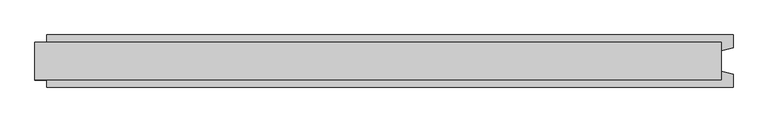
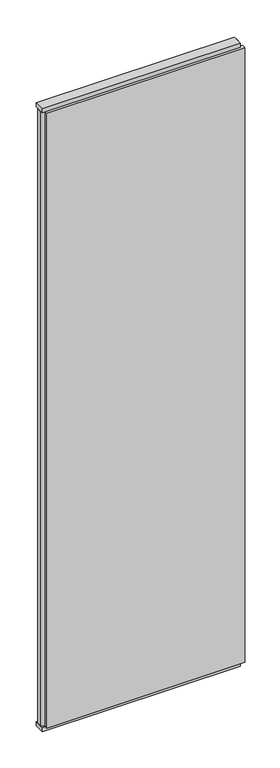
"""IFC4 building model written with IfcOpenShell, lengths in millimetres: plate geometry."""

from ifc_helpers import new_model, si_unit, frame, origin, origin_with_axes, place, context, project, spatial, polyline, outline, extrude, source, transform, mapped, element, save


def plate_9a15d8a8(model_context):
    return source(origin(), model_context, "Body", "SweptSolid", [
        extrude(outline(polyline([(590.0, 32.0), (590.0, -32.0), (-590.0, -32.0), (-590.0, 32.0), (590.0, 32.0)])), origin_with_axes(), (0.0, 0.0, 1.0), 25.0),
        extrude(outline(polyline([(590.0, 32.0), (590.0, -32.0), (-590.0, -32.0), (-590.0, 32.0), (590.0, 32.0)])), frame((0.0, 0.0, 3902.0), z_axis=(0.0, 0.0, 1.0), x_axis=(1.0, 0.0, 0.0)), (0.0, 0.0, 1.0), 25.0),
        extrude(outline(polyline([(610.0, 45.0), (610.0, 22.9993165), (590.0, 17.6401049), (590.0, -17.6401049), (610.0, -22.9993165), (610.0, -45.0), (-570.0, -45.0), (-570.0, -22.9993165), (-590.0, -17.6401049), (-590.0, 17.6401049), (-570.0, 22.9993165), (-570.0, 45.0), (610.0, 45.0)])), frame((0.0, 0.0, 25.0), z_axis=(0.0, 0.0, 1.0), x_axis=(1.0, 0.0, 0.0)), (0.0, 0.0, 1.0), 3877.0),
    ])


if __name__ == "__main__":
    model = new_model("IFC4")
    model_context = context("Model", 3, world=origin())
    ifc_project = project(units=[si_unit("LENGTHUNIT", "METRE", prefix="MILLI")], contexts=[model_context])
    site = spatial("IfcSite", under=ifc_project)
    building = spatial("IfcBuilding", under=site)
    placement = place(None, origin())
    plate_shape = plate_9a15d8a8(model_context)
    element("IfcPlate", 1, at=placement, inside=building, context=model_context, shape_type="MappedRepresentation", body=[
        mapped(plate_shape, transform((0.0, 0.0, 0.0), x_axis=(1.0, 0.0, 0.0), y_axis=(0.0, 1.0, 0.0), z_axis=(0.0, 0.0, 1.0))),
    ])
    save(model, "model.ifc")
